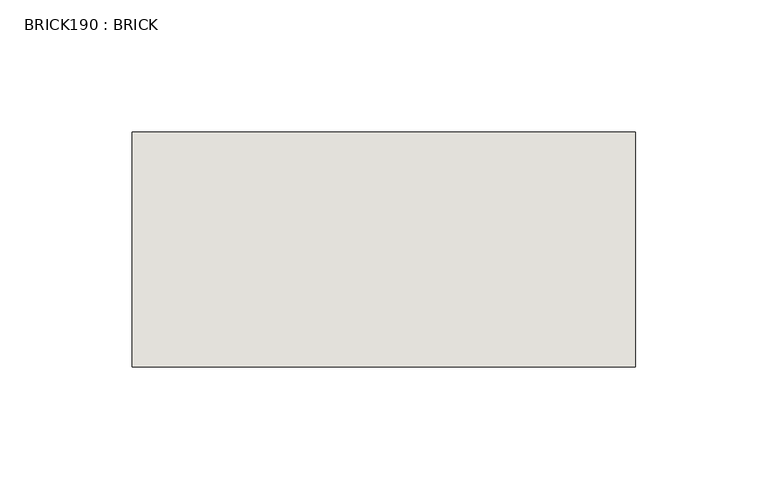
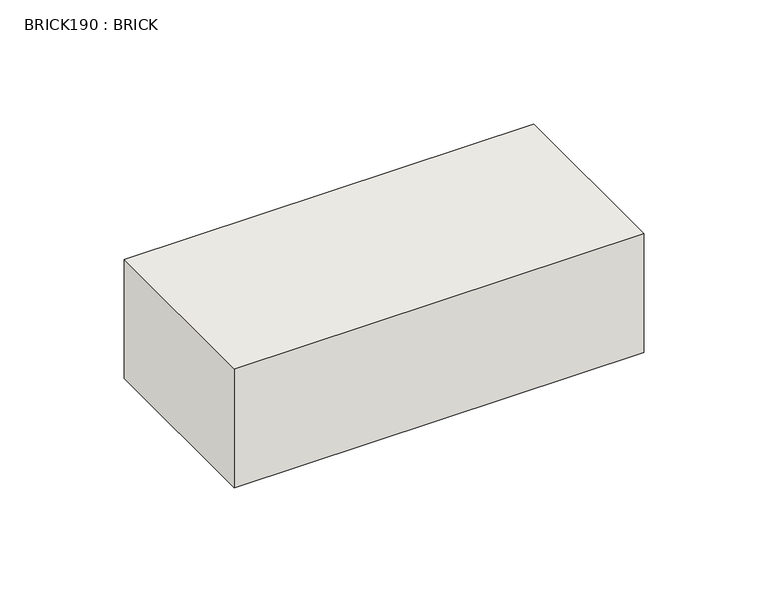
"""IFC4 building model written with IfcOpenShell, lengths in millimetres: wall geometry, BRICK190 : BRICK."""

import ifcopenshell
import ifcopenshell.guid

model = None  # the IFC model being written
_history = None  # IfcOwnerHistory: only IFC2X3 demands one
_inside = {}  # id of a spatial element -> (the spatial element, [elements in it])
_under = {}  # id of a project, library or spatial element -> (it, [spatial elements below it])
_declared = {}  # id of a project -> (the project, [libraries it declares])
_typed = {}  # id of a type object -> (the type object, [elements of that type])
_made_of = {}  # id of a material, layer set ... -> (it, [elements and type objects made of it])


def new_model(schema):
    """Start an empty IFC model of exactly this schema.

    Asked for "IFC4X3", IfcOpenShell would pick the latest addendum, in which some entities
    have other attributes; the version numbers below select the first issue.
    IFC2X3 requires an IfcOwnerHistory on every rooted entity: one is made here for all.
    """
    global model, _history
    if schema == "IFC4X3":
        model = ifcopenshell.file(schema_version=(4, 3, 0, 0))
    else:
        model = ifcopenshell.file(schema=schema)
    _inside.clear()
    _under.clear()
    _declared.clear()
    _typed.clear()
    _made_of.clear()
    _history = None
    if model.schema == "IFC2X3":
        org = make("IfcOrganization", Name="unknown")
        user = make(
            "IfcPersonAndOrganization",
            ThePerson=make("IfcPerson", FamilyName="unknown"),
            TheOrganization=org,
        )
        app = make(
            "IfcApplication",
            ApplicationDeveloper=org,
            Version="unknown",
            ApplicationFullName="unknown",
            ApplicationIdentifier="unknown",
        )
        _history = make(
            "IfcOwnerHistory",
            OwningUser=user,
            OwningApplication=app,
            ChangeAction="ADDED",
            CreationDate=0,
        )
    return model


def make(cls, **values):
    """One entity of the class cls with the attributes given. An attribute that is None is left unset."""
    return model.create_entity(
        cls, **{name: value for name, value in values.items() if value is not None}
    )


def rooted(cls, **values):
    """An entity with a GlobalId (a new one), such as an element, a storey or a relation."""
    return make(cls, GlobalId=ifcopenshell.guid.new(), OwnerHistory=_history, **values)


def si_unit(unit_type, name, prefix=None):
    """IfcSIUnit, for example si_unit("LENGTHUNIT", "METRE", prefix="MILLI")."""
    return make("IfcSIUnit", UnitType=unit_type, Prefix=prefix, Name=name)


def assignment(units):
    """IfcUnitAssignment: the units of a project."""
    return None if units is None else make("IfcUnitAssignment", Units=units)


def point(xyz):
    """IfcCartesianPoint."""
    return None if xyz is None else make("IfcCartesianPoint", Coordinates=xyz)


def direction(xyz):
    """IfcDirection."""
    return None if xyz is None else make("IfcDirection", DirectionRatios=xyz)


def frame(location, z_axis=None, x_axis=None):
    """IfcAxis2Placement3D, a coordinate frame: its origin and axes. An axis left out is left unset."""
    return make(
        "IfcAxis2Placement3D",
        Location=point(location),
        Axis=direction(z_axis),
        RefDirection=direction(x_axis),
    )


def origin():
    """The frame at (0, 0, 0) with its axes left unset."""
    return frame((0.0, 0.0, 0.0))


def place(relative_to, where):
    """IfcLocalPlacement: puts the frame where relative to a parent placement (None: the world)."""
    return make(
        "IfcLocalPlacement", PlacementRelTo=relative_to, RelativePlacement=where
    )


def context(
    kind, dimensions, precision=None, world=None, true_north=None, identifier=None
):
    """IfcGeometricRepresentationContext, for example the 3D "Model" context."""
    return make(
        "IfcGeometricRepresentationContext",
        ContextIdentifier=identifier,
        ContextType=kind,
        CoordinateSpaceDimension=dimensions,
        Precision=precision,
        WorldCoordinateSystem=world,
        TrueNorth=true_north,
    )


def project(units=None, contexts=None):
    """IfcProject with its units and contexts."""
    return rooted(
        "IfcProject",
        Name="project",
        RepresentationContexts=contexts,
        UnitsInContext=assignment(units),
    )


def spatial(cls, under=None, at=None, **own):
    """A site, building, storey or space (cls), placed at a placement, below another one or the project."""
    s = rooted(cls, ObjectPlacement=at, **own)
    if under is not None:
        _under.setdefault(under.id(), (under, []))[1].append(s)
    return s


def polyline(points):
    """IfcPolyline through the points."""
    return make("IfcPolyline", Points=[point(p) for p in points])


def outline(outer, holes=None, kind="AREA"):
    """IfcArbitraryClosedProfileDef: a profile drawn as a closed curve; with holes, ...WithVoids."""
    if holes is None:
        return make("IfcArbitraryClosedProfileDef", ProfileType=kind, OuterCurve=outer)
    return make(
        "IfcArbitraryProfileDefWithVoids",
        ProfileType=kind,
        OuterCurve=outer,
        InnerCurves=holes,
    )


def extrude(swept, where, along, depth):
    """IfcExtrudedAreaSolid: the profile swept, set in the frame where, extruded along a direction by depth."""
    return make(
        "IfcExtrudedAreaSolid",
        SweptArea=swept,
        Position=where,
        ExtrudedDirection=direction(along),
        Depth=depth,
    )


def shape(context_of_items, identifier, shape_type, items):
    """IfcShapeRepresentation: the items that make up one representation, for example the "Body"."""
    return make(
        "IfcShapeRepresentation",
        ContextOfItems=context_of_items,
        RepresentationIdentifier=identifier,
        RepresentationType=shape_type,
        Items=items,
    )


def source(mapping_origin, context_of_items, identifier, shape_type, items):
    """IfcRepresentationMap: a shape defined once, which mapped items show again and again."""
    return make(
        "IfcRepresentationMap",
        MappingOrigin=mapping_origin,
        MappedRepresentation=shape(context_of_items, identifier, shape_type, items),
    )


def transform(
    local_origin,
    x_axis=None,
    y_axis=None,
    z_axis=None,
    scale=None,
    scale2=None,
    scale3=None,
    uniform=True,
):
    """IfcCartesianTransformationOperator3D, or its non-uniform kind. x_axis, y_axis, z_axis: its Axis1, 2, 3."""
    if uniform:
        return make(
            "IfcCartesianTransformationOperator3D",
            Axis1=direction(x_axis),
            Axis2=direction(y_axis),
            LocalOrigin=point(local_origin),
            Scale=scale,
            Axis3=direction(z_axis),
        )
    return make(
        "IfcCartesianTransformationOperator3DnonUniform",
        Axis1=direction(x_axis),
        Axis2=direction(y_axis),
        LocalOrigin=point(local_origin),
        Scale=scale,
        Axis3=direction(z_axis),
        Scale2=scale2,
        Scale3=scale3,
    )


def mapped(mapping_source, mapping_target):
    """IfcMappedItem: shows the shape of a source again, moved by a transform."""
    return make(
        "IfcMappedItem", MappingSource=mapping_source, MappingTarget=mapping_target
    )


def made_of(thing, what):
    """Note that an element or type object is made of a material, layer set ...; save() writes the relation."""
    if what is not None:
        _made_of.setdefault(what.id(), (what, []))[1].append(thing)
    return thing


def element(
    cls,
    number,
    at=None,
    inside=None,
    cuts=None,
    type_object=None,
    material=None,
    context=None,
    identifier="Body",
    shape_type=None,
    held_by="IfcProductDefinitionShape",
    body=None,
    shapes=None,
    **own,
):
    """One element of the class cls, such as IfcWall. Its Tag is "e" and its number.

    at: its placement. inside: the storey or other place that contains it. cuts: it is an
    opening in that element (IfcRelVoidsElement). A single representation is given by context,
    identifier, shape_type and body (its items); several are given by shapes. held_by: the class
    of the entity that holds the representations. save() writes the other relations.
    """
    e = rooted(cls, Tag="e%d" % number, ObjectPlacement=at, **own)
    if body is not None:
        shapes = [shape(context, identifier, shape_type, body)]
    if shapes is not None:
        e.Representation = make(held_by, Representations=shapes)
    if inside is not None:
        _inside.setdefault(inside.id(), (inside, []))[1].append(e)
    if cuts is not None:
        rooted(
            "IfcRelVoidsElement", RelatingBuildingElement=cuts, RelatedOpeningElement=e
        )
    if type_object is not None:
        _typed.setdefault(type_object.id(), (type_object, []))[1].append(e)
    return made_of(e, material)


def aggregate(whole, parts):
    """IfcRelAggregates: a whole, such as a stair, and the parts it consists of."""
    return rooted("IfcRelAggregates", RelatingObject=whole, RelatedObjects=parts)


def save(model, path):
    """Write the relations noted so far, then the file.

    IfcRelAggregates (storeys below a building ...), IfcRelContainedInSpatialStructure (elements
    in a storey), IfcRelDefinesByType, IfcRelAssociatesMaterial and IfcRelDeclares: one each for
    every whole, place, type object, material and project.
    """
    for whole, parts in _under.values():
        aggregate(whole, parts)
    for where, things in _inside.values():
        rooted(
            "IfcRelContainedInSpatialStructure",
            RelatedElements=things,
            RelatingStructure=where,
        )
    for kind, things in _typed.values():
        rooted("IfcRelDefinesByType", RelatedObjects=things, RelatingType=kind)
    for what, things in _made_of.values():
        rooted("IfcRelAssociatesMaterial", RelatedObjects=things, RelatingMaterial=what)
    for by, libraries in _declared.values():
        rooted("IfcRelDeclares", RelatingContext=by, RelatedDefinitions=libraries)
    model.write(path)


def brick190_brick_82a5b684(model_context):
    return source(origin(), model_context, "Body", "SweptSolid", [
        extrude(outline(polyline([(-465.0574357, 3062.3923312), (-274.5574357, 3062.3923312), (-274.5574357, 2973.4923312), (-465.0574357, 2973.4923312), (-465.0574357, 3062.3923312)])), frame((0.0, 0.0, 283.5671875), z_axis=(0.0, 0.0, 1.0), x_axis=(1.0, 0.0, 0.0)), (0.0, 0.0, 1.0), 58.4398437),
    ])


if __name__ == "__main__":
    model = new_model("IFC4")
    model_context = context("Model", 3, world=origin())
    ifc_project = project(units=[si_unit("LENGTHUNIT", "METRE", prefix="MILLI")], contexts=[model_context])
    site = spatial("IfcSite", under=ifc_project)
    building = spatial("IfcBuilding", under=site)
    placement = place(None, origin())
    brick190_brick_shape = brick190_brick_82a5b684(model_context)
    element("IfcWall", 1, ObjectType="BRICK190 : BRICK", at=placement, inside=building, context=model_context, shape_type="MappedRepresentation", body=[
        mapped(brick190_brick_shape, transform((0.0, 0.0, 0.0), x_axis=(1.0, 0.0, 0.0), y_axis=(0.0, 1.0, 0.0), z_axis=(0.0, 0.0, 1.0))),
    ])
    save(model, "model.ifc")
